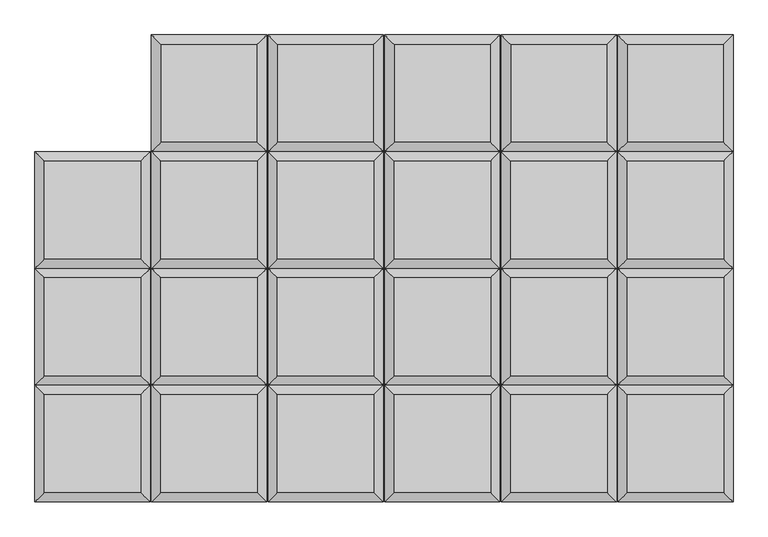
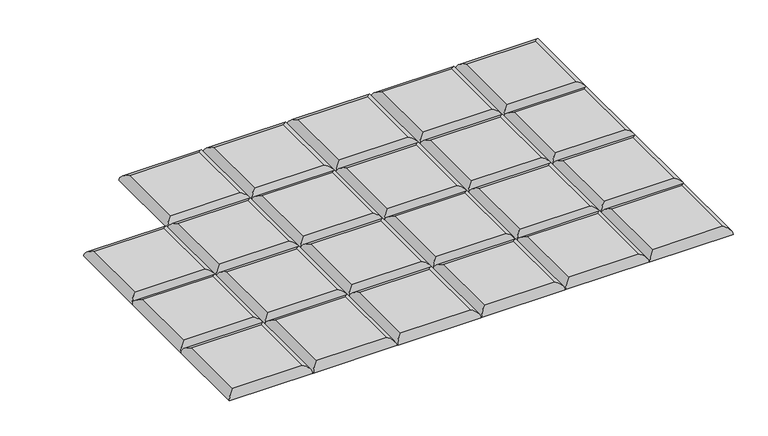
"""IFC4 building model written with IfcOpenShell, lengths in millimetres: furniture geometry."""

from ifc_helpers import new_model, si_unit, frame, origin, place, context, project, spatial, ellipse_curve, source, transform, mapped, element, save
from ifc_brep_helpers import plane_surface, cylinder_surface, advanced_brep


def furniture_052ff6f9(model_context):
    return source(origin(), model_context, "Body", "AdvancedBrep", [
        advanced_brep(
        [(1090.4608514, 204.2894878, 411.6605122), (906.6718759, 204.2894878, 411.6605122), (906.6718759, 17.9605122, 411.6605122), (1090.4608514, 17.9605122, 411.6605122), (1108.4213636, 0.0, 393.7), (888.7113636, 0.0, 393.7), (888.7113636, 222.25, 393.7), (1108.4213636, 222.25, 393.7)],
        [
            (0, 1),
            (1, 2),
            (2, 3),
            (3, 0),
            (4, 5),
            (5, 6),
            (6, 7),
            (7, 4),
            (7, 0, ellipse_curve(frame((1090.4608514, 204.2894878, 393.7), z_axis=(0.7071067811865475, -0.7071067811865475, 0.0), x_axis=(-0.7071067811865474, -0.7071067811865476, 0.0)), 25.4, 17.9605122)),
            (3, 4, ellipse_curve(frame((1090.4608514, 17.9605122, 393.7), z_axis=(0.7071067811865475, 0.7071067811865475, 0.0), x_axis=(0.7071067811865474, -0.7071067811865476, 0.0)), 25.4, 17.9605122)),
            (6, 1, ellipse_curve(frame((906.6718759, 204.2894878, 393.7), z_axis=(0.7071067811865475, 0.7071067811865475, 0.0), x_axis=(0.7071067811865476, -0.7071067811865474, 0.0)), 25.4, 17.9605122)),
            (5, 2, ellipse_curve(frame((906.6718759, 17.9605122, 393.7), z_axis=(-0.7071067811865475, 0.7071067811865475, 0.0), x_axis=(0.7071067811865474, 0.7071067811865476, 0.0)), 25.4, 17.9605122)),
        ],
        [
            plane_surface(frame((906.6718759, 17.9605122, 411.6605122), z_axis=(0.0, 0.0, 1.0), x_axis=(-1.0, 0.0, 0.0))),
            plane_surface(frame((906.6718759, 17.9605122, 393.7), z_axis=(0.0, 0.0, -1.0), x_axis=(1.0, 0.0, 0.0))),
            cylinder_surface(frame((1090.4608514, 0.0, 393.7), z_axis=(0.0, -1.0, 0.0), x_axis=(1.0, 0.0, 0.0)), 17.9605122),
            cylinder_surface(frame((1108.4213636, 204.2894878, 393.7), z_axis=(1.0, 0.0, 0.0), x_axis=(0.0, 1.0, 0.0)), 17.9605122),
            cylinder_surface(frame((906.6718759, 222.25, 393.7), z_axis=(0.0, 1.0, 0.0), x_axis=(-1.0, 0.0, 0.0)), 17.9605122),
            cylinder_surface(frame((888.7113636, 17.9605122, 393.7), z_axis=(-1.0, 0.0, 0.0), x_axis=(0.0, -1.0, 0.0)), 17.9605122),
        ],
        [
            (0, [[1, 2, 3, 4]]),
            (1, [[5, 6, 7, 8]]),
            (2, [[-8, 9, -4, 10]]),
            (3, [[-7, 11, -1, -9]]),
            (4, [[-6, 12, -2, -11]]),
            (5, [[-3, -12, -5, -10]]),
        ],
    ),
        advanced_brep(
        [(1090.4608514, -17.9605122, 411.6605122), (906.6718759, -17.9605122, 411.6605122), (906.6718759, -204.2894878, 411.6605122), (1090.4608514, -204.2894878, 411.6605122), (1108.4213636, -222.25, 393.7), (888.7113636, -222.25, 393.7), (888.7113636, 0.0, 393.7), (1108.4213636, 0.0, 393.7)],
        [
            (0, 1),
            (1, 2),
            (2, 3),
            (3, 0),
            (4, 5),
            (5, 6),
            (6, 7),
            (7, 4),
            (7, 0, ellipse_curve(frame((1090.4608514, -17.9605122, 393.7), z_axis=(0.7071067811865475, -0.7071067811865475, 0.0), x_axis=(-0.7071067811865474, -0.7071067811865476, 0.0)), 25.4, 17.9605122)),
            (3, 4, ellipse_curve(frame((1090.4608514, -204.2894878, 393.7), z_axis=(0.7071067811865475, 0.7071067811865475, 0.0), x_axis=(0.7071067811865474, -0.7071067811865476, 0.0)), 25.4, 17.9605122)),
            (6, 1, ellipse_curve(frame((906.6718759, -17.9605122, 393.7), z_axis=(0.7071067811865475, 0.7071067811865475, 0.0), x_axis=(0.7071067811865476, -0.7071067811865474, 0.0)), 25.4, 17.9605122)),
            (5, 2, ellipse_curve(frame((906.6718759, -204.2894878, 393.7), z_axis=(-0.7071067811865475, 0.7071067811865475, 0.0), x_axis=(0.7071067811865474, 0.7071067811865476, 0.0)), 25.4, 17.9605122)),
        ],
        [
            plane_surface(frame((906.6718759, -204.2894878, 411.6605122), z_axis=(0.0, 0.0, 1.0), x_axis=(-1.0, 0.0, 0.0))),
            plane_surface(frame((906.6718759, -204.2894878, 393.7), z_axis=(0.0, 0.0, -1.0), x_axis=(1.0, 0.0, 0.0))),
            cylinder_surface(frame((1090.4608514, -222.25, 393.7), z_axis=(0.0, -1.0, 0.0), x_axis=(1.0, 0.0, 0.0)), 17.9605122),
            cylinder_surface(frame((1108.4213636, -17.9605122, 393.7), z_axis=(1.0, 0.0, 0.0), x_axis=(0.0, 1.0, 0.0)), 17.9605122),
            cylinder_surface(frame((906.6718759, 0.0, 393.7), z_axis=(0.0, 1.0, 0.0), x_axis=(-1.0, 0.0, 0.0)), 17.9605122),
            cylinder_surface(frame((888.7113636, -204.2894878, 393.7), z_axis=(-1.0, 0.0, 0.0), x_axis=(0.0, -1.0, 0.0)), 17.9605122),
        ],
        [
            (0, [[1, 2, 3, 4]]),
            (1, [[5, 6, 7, 8]]),
            (2, [[-8, 9, -4, 10]]),
            (3, [[-7, 11, -1, -9]]),
            (4, [[-6, 12, -2, -11]]),
            (5, [[-3, -12, -5, -10]]),
        ],
    ),
        advanced_brep(
        [(1090.4608514, -240.2105122, 411.6605122), (906.6718759, -240.2105122, 411.6605122), (906.6718759, -426.5394878, 411.6605122), (1090.4608514, -426.5394878, 411.6605122), (1108.4213636, -444.5, 393.7), (888.7113636, -444.5, 393.7), (888.7113636, -222.25, 393.7), (1108.4213636, -222.25, 393.7)],
        [
            (0, 1),
            (1, 2),
            (2, 3),
            (3, 0),
            (4, 5),
            (5, 6),
            (6, 7),
            (7, 4),
            (7, 0, ellipse_curve(frame((1090.4608514, -240.2105122, 393.7), z_axis=(0.7071067811865475, -0.7071067811865475, 0.0), x_axis=(-0.7071067811865474, -0.7071067811865476, 0.0)), 25.4, 17.9605122)),
            (3, 4, ellipse_curve(frame((1090.4608514, -426.5394878, 393.7), z_axis=(0.7071067811865475, 0.7071067811865475, 0.0), x_axis=(0.7071067811865474, -0.7071067811865476, 0.0)), 25.4, 17.9605122)),
            (6, 1, ellipse_curve(frame((906.6718759, -240.2105122, 393.7), z_axis=(0.7071067811865475, 0.7071067811865475, 0.0), x_axis=(0.7071067811865476, -0.7071067811865474, 0.0)), 25.4, 17.9605122)),
            (5, 2, ellipse_curve(frame((906.6718759, -426.5394878, 393.7), z_axis=(-0.7071067811865475, 0.7071067811865475, 0.0), x_axis=(0.7071067811865474, 0.7071067811865476, 0.0)), 25.4, 17.9605122)),
        ],
        [
            plane_surface(frame((906.6718759, -426.5394878, 411.6605122), z_axis=(0.0, 0.0, 1.0), x_axis=(-1.0, 0.0, 0.0))),
            plane_surface(frame((906.6718759, -426.5394878, 393.7), z_axis=(0.0, 0.0, -1.0), x_axis=(1.0, 0.0, 0.0))),
            cylinder_surface(frame((1090.4608514, -444.5, 393.7), z_axis=(0.0, -1.0, 0.0), x_axis=(1.0, 0.0, 0.0)), 17.9605122),
            cylinder_surface(frame((1108.4213636, -240.2105122, 393.7), z_axis=(1.0, 0.0, 0.0), x_axis=(0.0, 1.0, 0.0)), 17.9605122),
            cylinder_surface(frame((906.6718759, -222.25, 393.7), z_axis=(0.0, 1.0, 0.0), x_axis=(-1.0, 0.0, 0.0)), 17.9605122),
            cylinder_surface(frame((888.7113636, -426.5394878, 393.7), z_axis=(-1.0, 0.0, 0.0), x_axis=(0.0, -1.0, 0.0)), 17.9605122),
        ],
        [
            (0, [[1, 2, 3, 4]]),
            (1, [[5, 6, 7, 8]]),
            (2, [[-8, 9, -4, 10]]),
            (3, [[-7, 11, -1, -9]]),
            (4, [[-6, 12, -2, -11]]),
            (5, [[-3, -12, -5, -10]]),
        ],
    ),
        advanced_brep(
        [(1108.4213636, 222.25, 393.7), (1108.4213636, 444.5, 393.7), (1090.4608514, 426.5394878, 411.6605122), (1090.4608514, 240.2105122, 411.6605122), (888.7113636, 444.5, 393.7), (906.6718759, 426.5394878, 411.6605122), (888.7113636, 222.25, 393.7), (906.6718759, 240.2105122, 411.6605122)],
        [
            (0, 1),
            (1, 2, ellipse_curve(frame((1090.4608514, 426.5394878, 393.7), z_axis=(0.7071067811865475, -0.7071067811865475, 0.0), x_axis=(-0.7071067811865474, -0.7071067811865476, 0.0)), 25.4, 17.9605122)),
            (2, 3),
            (3, 0, ellipse_curve(frame((1090.4608514, 240.2105122, 393.7), z_axis=(0.7071067811865475, 0.7071067811865475, 0.0), x_axis=(0.7071067811865474, -0.7071067811865476, 0.0)), 25.4, 17.9605122)),
            (1, 4),
            (4, 5, ellipse_curve(frame((906.6718759, 426.5394878, 393.7), z_axis=(0.7071067811865475, 0.7071067811865475, 0.0), x_axis=(0.7071067811865476, -0.7071067811865474, 0.0)), 25.4, 17.9605122)),
            (5, 2),
            (4, 6),
            (6, 7, ellipse_curve(frame((906.6718759, 240.2105122, 393.7), z_axis=(-0.7071067811865475, 0.7071067811865475, 0.0), x_axis=(0.7071067811865474, 0.7071067811865476, 0.0)), 25.4, 17.9605122)),
            (7, 5),
            (3, 7),
            (6, 0),
        ],
        [
            cylinder_surface(frame((1090.4608514, 222.25, 393.7), z_axis=(0.0, -1.0, 0.0), x_axis=(1.0, 0.0, 0.0)), 17.9605122),
            cylinder_surface(frame((1108.4213636, 426.5394878, 393.7), z_axis=(1.0, 0.0, 0.0), x_axis=(0.0, 1.0, 0.0)), 17.9605122),
            cylinder_surface(frame((906.6718759, 444.5, 393.7), z_axis=(0.0, 1.0, 0.0), x_axis=(-1.0, 0.0, 0.0)), 17.9605122),
            cylinder_surface(frame((888.7113636, 240.2105122, 393.7), z_axis=(-1.0, 0.0, 0.0), x_axis=(0.0, -1.0, 0.0)), 17.9605122),
            plane_surface(frame((888.7113636, 222.25, 393.7), z_axis=(0.0, 0.0, -1.0), x_axis=(1.0, 0.0, 0.0))),
            plane_surface(frame((906.6718759, 240.2105122, 411.6605122), z_axis=(0.0, 0.0, 1.0), x_axis=(-1.0, 0.0, 0.0))),
        ],
        [
            (0, [[1, 2, 3, 4]]),
            (1, [[5, 6, 7, -2]]),
            (2, [[8, 9, 10, -6]]),
            (3, [[11, -9, 12, -4]]),
            (4, [[-12, -8, -5, -1]]),
            (5, [[-7, -10, -11, -3]]),
        ],
    ),
        advanced_brep(
        [(868.557215, 204.2894878, 411.6605122), (684.7682395, 204.2894878, 411.6605122), (684.7682395, 17.9605122, 411.6605122), (868.557215, 17.9605122, 411.6605122), (886.5177273, 0.0, 393.7), (666.8077273, 0.0, 393.7), (666.8077273, 222.25, 393.7), (886.5177273, 222.25, 393.7)],
        [
            (0, 1),
            (1, 2),
            (2, 3),
            (3, 0),
            (4, 5),
            (5, 6),
            (6, 7),
            (7, 4),
            (7, 0, ellipse_curve(frame((868.557215, 204.2894878, 393.7), z_axis=(0.7071067811865475, -0.7071067811865475, 0.0), x_axis=(-0.7071067811865474, -0.7071067811865476, 0.0)), 25.4, 17.9605122)),
            (3, 4, ellipse_curve(frame((868.557215, 17.9605122, 393.7), z_axis=(0.7071067811865475, 0.7071067811865475, 0.0), x_axis=(0.7071067811865474, -0.7071067811865476, 0.0)), 25.4, 17.9605122)),
            (6, 1, ellipse_curve(frame((684.7682395, 204.2894878, 393.7), z_axis=(0.7071067811865475, 0.7071067811865475, 0.0), x_axis=(0.7071067811865476, -0.7071067811865474, 0.0)), 25.4, 17.9605122)),
            (5, 2, ellipse_curve(frame((684.7682395, 17.9605122, 393.7), z_axis=(-0.7071067811865475, 0.7071067811865475, 0.0), x_axis=(0.7071067811865474, 0.7071067811865476, 0.0)), 25.4, 17.9605122)),
        ],
        [
            plane_surface(frame((684.7682395, 17.9605122, 411.6605122), z_axis=(0.0, 0.0, 1.0), x_axis=(-1.0, 0.0, 0.0))),
            plane_surface(frame((684.7682395, 17.9605122, 393.7), z_axis=(0.0, 0.0, -1.0), x_axis=(1.0, 0.0, 0.0))),
            cylinder_surface(frame((868.557215, 0.0, 393.7), z_axis=(0.0, -1.0, 0.0), x_axis=(1.0, 0.0, 0.0)), 17.9605122),
            cylinder_surface(frame((886.5177273, 204.2894878, 393.7), z_axis=(1.0, 0.0, 0.0), x_axis=(0.0, 1.0, 0.0)), 17.9605122),
            cylinder_surface(frame((684.7682395, 222.25, 393.7), z_axis=(0.0, 1.0, 0.0), x_axis=(-1.0, 0.0, 0.0)), 17.9605122),
            cylinder_surface(frame((666.8077273, 17.9605122, 393.7), z_axis=(-1.0, 0.0, 0.0), x_axis=(0.0, -1.0, 0.0)), 17.9605122),
        ],
        [
            (0, [[1, 2, 3, 4]]),
            (1, [[5, 6, 7, 8]]),
            (2, [[-8, 9, -4, 10]]),
            (3, [[-7, 11, -1, -9]]),
            (4, [[-6, 12, -2, -11]]),
            (5, [[-3, -12, -5, -10]]),
        ],
    ),
        advanced_brep(
        [(868.557215, -17.9605122, 411.6605122), (684.7682395, -17.9605122, 411.6605122), (684.7682395, -204.2894878, 411.6605122), (868.557215, -204.2894878, 411.6605122), (886.5177273, -222.25, 393.7), (666.8077273, -222.25, 393.7), (666.8077273, 0.0, 393.7), (886.5177273, 0.0, 393.7)],
        [
            (0, 1),
            (1, 2),
            (2, 3),
            (3, 0),
            (4, 5),
            (5, 6),
            (6, 7),
            (7, 4),
            (7, 0, ellipse_curve(frame((868.557215, -17.9605122, 393.7), z_axis=(0.7071067811865475, -0.7071067811865475, 0.0), x_axis=(-0.7071067811865474, -0.7071067811865476, 0.0)), 25.4, 17.9605122)),
            (3, 4, ellipse_curve(frame((868.557215, -204.2894878, 393.7), z_axis=(0.7071067811865475, 0.7071067811865475, 0.0), x_axis=(0.7071067811865474, -0.7071067811865476, 0.0)), 25.4, 17.9605122)),
            (6, 1, ellipse_curve(frame((684.7682395, -17.9605122, 393.7), z_axis=(0.7071067811865475, 0.7071067811865475, 0.0), x_axis=(0.7071067811865476, -0.7071067811865474, 0.0)), 25.4, 17.9605122)),
            (5, 2, ellipse_curve(frame((684.7682395, -204.2894878, 393.7), z_axis=(-0.7071067811865475, 0.7071067811865475, 0.0), x_axis=(0.7071067811865474, 0.7071067811865476, 0.0)), 25.4, 17.9605122)),
        ],
        [
            plane_surface(frame((684.7682395, -204.2894878, 411.6605122), z_axis=(0.0, 0.0, 1.0), x_axis=(-1.0, 0.0, 0.0))),
            plane_surface(frame((684.7682395, -204.2894878, 393.7), z_axis=(0.0, 0.0, -1.0), x_axis=(1.0, 0.0, 0.0))),
            cylinder_surface(frame((868.557215, -222.25, 393.7), z_axis=(0.0, -1.0, 0.0), x_axis=(1.0, 0.0, 0.0)), 17.9605122),
            cylinder_surface(frame((886.5177273, -17.9605122, 393.7), z_axis=(1.0, 0.0, 0.0), x_axis=(0.0, 1.0, 0.0)), 17.9605122),
            cylinder_surface(frame((684.7682395, 0.0, 393.7), z_axis=(0.0, 1.0, 0.0), x_axis=(-1.0, 0.0, 0.0)), 17.9605122),
            cylinder_surface(frame((666.8077273, -204.2894878, 393.7), z_axis=(-1.0, 0.0, 0.0), x_axis=(0.0, -1.0, 0.0)), 17.9605122),
        ],
        [
            (0, [[1, 2, 3, 4]]),
            (1, [[5, 6, 7, 8]]),
            (2, [[-8, 9, -4, 10]]),
            (3, [[-7, 11, -1, -9]]),
            (4, [[-6, 12, -2, -11]]),
            (5, [[-3, -12, -5, -10]]),
        ],
    ),
        advanced_brep(
        [(868.557215, -240.2105122, 411.6605122), (684.7682395, -240.2105122, 411.6605122), (684.7682395, -426.5394878, 411.6605122), (868.557215, -426.5394878, 411.6605122), (886.5177273, -444.5, 393.7), (666.8077273, -444.5, 393.7), (666.8077273, -222.25, 393.7), (886.5177273, -222.25, 393.7)],
        [
            (0, 1),
            (1, 2),
            (2, 3),
            (3, 0),
            (4, 5),
            (5, 6),
            (6, 7),
            (7, 4),
            (7, 0, ellipse_curve(frame((868.557215, -240.2105122, 393.7), z_axis=(0.7071067811865475, -0.7071067811865475, 0.0), x_axis=(-0.7071067811865474, -0.7071067811865476, 0.0)), 25.4, 17.9605122)),
            (3, 4, ellipse_curve(frame((868.557215, -426.5394878, 393.7), z_axis=(0.7071067811865475, 0.7071067811865475, 0.0), x_axis=(0.7071067811865474, -0.7071067811865476, 0.0)), 25.4, 17.9605122)),
            (6, 1, ellipse_curve(frame((684.7682395, -240.2105122, 393.7), z_axis=(0.7071067811865475, 0.7071067811865475, 0.0), x_axis=(0.7071067811865476, -0.7071067811865474, 0.0)), 25.4, 17.9605122)),
            (5, 2, ellipse_curve(frame((684.7682395, -426.5394878, 393.7), z_axis=(-0.7071067811865475, 0.7071067811865475, 0.0), x_axis=(0.7071067811865474, 0.7071067811865476, 0.0)), 25.4, 17.9605122)),
        ],
        [
            plane_surface(frame((684.7682395, -426.5394878, 411.6605122), z_axis=(0.0, 0.0, 1.0), x_axis=(-1.0, 0.0, 0.0))),
            plane_surface(frame((684.7682395, -426.5394878, 393.7), z_axis=(0.0, 0.0, -1.0), x_axis=(1.0, 0.0, 0.0))),
            cylinder_surface(frame((868.557215, -444.5, 393.7), z_axis=(0.0, -1.0, 0.0), x_axis=(1.0, 0.0, 0.0)), 17.9605122),
            cylinder_surface(frame((886.5177273, -240.2105122, 393.7), z_axis=(1.0, 0.0, 0.0), x_axis=(0.0, 1.0, 0.0)), 17.9605122),
            cylinder_surface(frame((684.7682395, -222.25, 393.7), z_axis=(0.0, 1.0, 0.0), x_axis=(-1.0, 0.0, 0.0)), 17.9605122),
            cylinder_surface(frame((666.8077273, -426.5394878, 393.7), z_axis=(-1.0, 0.0, 0.0), x_axis=(0.0, -1.0, 0.0)), 17.9605122),
        ],
        [
            (0, [[1, 2, 3, 4]]),
            (1, [[5, 6, 7, 8]]),
            (2, [[-8, 9, -4, 10]]),
            (3, [[-7, 11, -1, -9]]),
            (4, [[-6, 12, -2, -11]]),
            (5, [[-3, -12, -5, -10]]),
        ],
    ),
        advanced_brep(
        [(886.5177273, 222.25, 393.7), (886.5177273, 444.5, 393.7), (868.557215, 426.5394878, 411.6605122), (868.557215, 240.2105122, 411.6605122), (666.8077273, 444.5, 393.7), (684.7682395, 426.5394878, 411.6605122), (666.8077273, 222.25, 393.7), (684.7682395, 240.2105122, 411.6605122)],
        [
            (0, 1),
            (1, 2, ellipse_curve(frame((868.557215, 426.5394878, 393.7), z_axis=(0.7071067811865475, -0.7071067811865475, 0.0), x_axis=(-0.7071067811865474, -0.7071067811865476, 0.0)), 25.4, 17.9605122)),
            (2, 3),
            (3, 0, ellipse_curve(frame((868.557215, 240.2105122, 393.7), z_axis=(0.7071067811865475, 0.7071067811865475, 0.0), x_axis=(0.7071067811865474, -0.7071067811865476, 0.0)), 25.4, 17.9605122)),
            (1, 4),
            (4, 5, ellipse_curve(frame((684.7682395, 426.5394878, 393.7), z_axis=(0.7071067811865475, 0.7071067811865475, 0.0), x_axis=(0.7071067811865476, -0.7071067811865474, 0.0)), 25.4, 17.9605122)),
            (5, 2),
            (4, 6),
            (6, 7, ellipse_curve(frame((684.7682395, 240.2105122, 393.7), z_axis=(-0.7071067811865475, 0.7071067811865475, 0.0), x_axis=(0.7071067811865474, 0.7071067811865476, 0.0)), 25.4, 17.9605122)),
            (7, 5),
            (3, 7),
            (6, 0),
        ],
        [
            cylinder_surface(frame((868.557215, 222.25, 393.7), z_axis=(0.0, -1.0, 0.0), x_axis=(1.0, 0.0, 0.0)), 17.9605122),
            cylinder_surface(frame((886.5177273, 426.5394878, 393.7), z_axis=(1.0, 0.0, 0.0), x_axis=(0.0, 1.0, 0.0)), 17.9605122),
            cylinder_surface(frame((684.7682395, 444.5, 393.7), z_axis=(0.0, 1.0, 0.0), x_axis=(-1.0, 0.0, 0.0)), 17.9605122),
            cylinder_surface(frame((666.8077273, 240.2105122, 393.7), z_axis=(-1.0, 0.0, 0.0), x_axis=(0.0, -1.0, 0.0)), 17.9605122),
            plane_surface(frame((666.8077273, 222.25, 393.7), z_axis=(0.0, 0.0, -1.0), x_axis=(1.0, 0.0, 0.0))),
            plane_surface(frame((684.7682395, 240.2105122, 411.6605122), z_axis=(0.0, 0.0, 1.0), x_axis=(-1.0, 0.0, 0.0))),
        ],
        [
            (0, [[1, 2, 3, 4]]),
            (1, [[5, 6, 7, -2]]),
            (2, [[8, 9, 10, -6]]),
            (3, [[11, -9, 12, -4]]),
            (4, [[-12, -8, -5, -1]]),
            (5, [[-7, -10, -11, -3]]),
        ],
    ),
        advanced_brep(
        [(646.6535787, 204.2894878, 411.6605122), (462.8646032, 204.2894878, 411.6605122), (462.8646032, 17.9605122, 411.6605122), (646.6535787, 17.9605122, 411.6605122), (664.6140909, 0.0, 393.7), (444.9040909, 0.0, 393.7), (444.9040909, 222.25, 393.7), (664.6140909, 222.25, 393.7)],
        [
            (0, 1),
            (1, 2),
            (2, 3),
            (3, 0),
            (4, 5),
            (5, 6),
            (6, 7),
            (7, 4),
            (7, 0, ellipse_curve(frame((646.6535787, 204.2894878, 393.7), z_axis=(0.7071067811865475, -0.7071067811865475, 0.0), x_axis=(-0.7071067811865474, -0.7071067811865476, 0.0)), 25.4, 17.9605122)),
            (3, 4, ellipse_curve(frame((646.6535787, 17.9605122, 393.7), z_axis=(0.7071067811865475, 0.7071067811865475, 0.0), x_axis=(0.7071067811865474, -0.7071067811865476, 0.0)), 25.4, 17.9605122)),
            (6, 1, ellipse_curve(frame((462.8646032, 204.2894878, 393.7), z_axis=(0.7071067811865475, 0.7071067811865475, 0.0), x_axis=(0.7071067811865476, -0.7071067811865474, 0.0)), 25.4, 17.9605122)),
            (5, 2, ellipse_curve(frame((462.8646032, 17.9605122, 393.7), z_axis=(-0.7071067811865475, 0.7071067811865475, 0.0), x_axis=(0.7071067811865474, 0.7071067811865476, 0.0)), 25.4, 17.9605122)),
        ],
        [
            plane_surface(frame((462.8646032, 17.9605122, 411.6605122), z_axis=(0.0, 0.0, 1.0), x_axis=(-1.0, 0.0, 0.0))),
            plane_surface(frame((462.8646032, 17.9605122, 393.7), z_axis=(0.0, 0.0, -1.0), x_axis=(1.0, 0.0, 0.0))),
            cylinder_surface(frame((646.6535787, 0.0, 393.7), z_axis=(0.0, -1.0, 0.0), x_axis=(1.0, 0.0, 0.0)), 17.9605122),
            cylinder_surface(frame((664.6140909, 204.2894878, 393.7), z_axis=(1.0, 0.0, 0.0), x_axis=(0.0, 1.0, 0.0)), 17.9605122),
            cylinder_surface(frame((462.8646032, 222.25, 393.7), z_axis=(0.0, 1.0, 0.0), x_axis=(-1.0, 0.0, 0.0)), 17.9605122),
            cylinder_surface(frame((444.9040909, 17.9605122, 393.7), z_axis=(-1.0, 0.0, 0.0), x_axis=(0.0, -1.0, 0.0)), 17.9605122),
        ],
        [
            (0, [[1, 2, 3, 4]]),
            (1, [[5, 6, 7, 8]]),
            (2, [[-8, 9, -4, 10]]),
            (3, [[-7, 11, -1, -9]]),
            (4, [[-6, 12, -2, -11]]),
            (5, [[-3, -12, -5, -10]]),
        ],
    ),
        advanced_brep(
        [(646.6535787, -17.9605122, 411.6605122), (462.8646032, -17.9605122, 411.6605122), (462.8646032, -204.2894878, 411.6605122), (646.6535787, -204.2894878, 411.6605122), (664.6140909, -222.25, 393.7), (444.9040909, -222.25, 393.7), (444.9040909, 0.0, 393.7), (664.6140909, 0.0, 393.7)],
        [
            (0, 1),
            (1, 2),
            (2, 3),
            (3, 0),
            (4, 5),
            (5, 6),
            (6, 7),
            (7, 4),
            (7, 0, ellipse_curve(frame((646.6535787, -17.9605122, 393.7), z_axis=(0.7071067811865475, -0.7071067811865475, 0.0), x_axis=(-0.7071067811865474, -0.7071067811865476, 0.0)), 25.4, 17.9605122)),
            (3, 4, ellipse_curve(frame((646.6535787, -204.2894878, 393.7), z_axis=(0.7071067811865475, 0.7071067811865475, 0.0), x_axis=(0.7071067811865474, -0.7071067811865476, 0.0)), 25.4, 17.9605122)),
            (6, 1, ellipse_curve(frame((462.8646032, -17.9605122, 393.7), z_axis=(0.7071067811865475, 0.7071067811865475, 0.0), x_axis=(0.7071067811865476, -0.7071067811865474, 0.0)), 25.4, 17.9605122)),
            (5, 2, ellipse_curve(frame((462.8646032, -204.2894878, 393.7), z_axis=(-0.7071067811865475, 0.7071067811865475, 0.0), x_axis=(0.7071067811865474, 0.7071067811865476, 0.0)), 25.4, 17.9605122)),
        ],
        [
            plane_surface(frame((462.8646032, -204.2894878, 411.6605122), z_axis=(0.0, 0.0, 1.0), x_axis=(-1.0, 0.0, 0.0))),
            plane_surface(frame((462.8646032, -204.2894878, 393.7), z_axis=(0.0, 0.0, -1.0), x_axis=(1.0, 0.0, 0.0))),
            cylinder_surface(frame((646.6535787, -222.25, 393.7), z_axis=(0.0, -1.0, 0.0), x_axis=(1.0, 0.0, 0.0)), 17.9605122),
            cylinder_surface(frame((664.6140909, -17.9605122, 393.7), z_axis=(1.0, 0.0, 0.0), x_axis=(0.0, 1.0, 0.0)), 17.9605122),
            cylinder_surface(frame((462.8646032, 0.0, 393.7), z_axis=(0.0, 1.0, 0.0), x_axis=(-1.0, 0.0, 0.0)), 17.9605122),
            cylinder_surface(frame((444.9040909, -204.2894878, 393.7), z_axis=(-1.0, 0.0, 0.0), x_axis=(0.0, -1.0, 0.0)), 17.9605122),
        ],
        [
            (0, [[1, 2, 3, 4]]),
            (1, [[5, 6, 7, 8]]),
            (2, [[-8, 9, -4, 10]]),
            (3, [[-7, 11, -1, -9]]),
            (4, [[-6, 12, -2, -11]]),
            (5, [[-3, -12, -5, -10]]),
        ],
    ),
        advanced_brep(
        [(646.6535787, -240.2105122, 411.6605122), (462.8646032, -240.2105122, 411.6605122), (462.8646032, -426.5394878, 411.6605122), (646.6535787, -426.5394878, 411.6605122), (664.6140909, -444.5, 393.7), (444.9040909, -444.5, 393.7), (444.9040909, -222.25, 393.7), (664.6140909, -222.25, 393.7)],
        [
            (0, 1),
            (1, 2),
            (2, 3),
            (3, 0),
            (4, 5),
            (5, 6),
            (6, 7),
            (7, 4),
            (7, 0, ellipse_curve(frame((646.6535787, -240.2105122, 393.7), z_axis=(0.7071067811865475, -0.7071067811865475, 0.0), x_axis=(-0.7071067811865474, -0.7071067811865476, 0.0)), 25.4, 17.9605122)),
            (3, 4, ellipse_curve(frame((646.6535787, -426.5394878, 393.7), z_axis=(0.7071067811865475, 0.7071067811865475, 0.0), x_axis=(0.7071067811865474, -0.7071067811865476, 0.0)), 25.4, 17.9605122)),
            (6, 1, ellipse_curve(frame((462.8646032, -240.2105122, 393.7), z_axis=(0.7071067811865475, 0.7071067811865475, 0.0), x_axis=(0.7071067811865476, -0.7071067811865474, 0.0)), 25.4, 17.9605122)),
            (5, 2, ellipse_curve(frame((462.8646032, -426.5394878, 393.7), z_axis=(-0.7071067811865475, 0.7071067811865475, 0.0), x_axis=(0.7071067811865474, 0.7071067811865476, 0.0)), 25.4, 17.9605122)),
        ],
        [
            plane_surface(frame((462.8646032, -426.5394878, 411.6605122), z_axis=(0.0, 0.0, 1.0), x_axis=(-1.0, 0.0, 0.0))),
            plane_surface(frame((462.8646032, -426.5394878, 393.7), z_axis=(0.0, 0.0, -1.0), x_axis=(1.0, 0.0, 0.0))),
            cylinder_surface(frame((646.6535787, -444.5, 393.7), z_axis=(0.0, -1.0, 0.0), x_axis=(1.0, 0.0, 0.0)), 17.9605122),
            cylinder_surface(frame((664.6140909, -240.2105122, 393.7), z_axis=(1.0, 0.0, 0.0), x_axis=(0.0, 1.0, 0.0)), 17.9605122),
            cylinder_surface(frame((462.8646032, -222.25, 393.7), z_axis=(0.0, 1.0, 0.0), x_axis=(-1.0, 0.0, 0.0)), 17.9605122),
            cylinder_surface(frame((444.9040909, -426.5394878, 393.7), z_axis=(-1.0, 0.0, 0.0), x_axis=(0.0, -1.0, 0.0)), 17.9605122),
        ],
        [
            (0, [[1, 2, 3, 4]]),
            (1, [[5, 6, 7, 8]]),
            (2, [[-8, 9, -4, 10]]),
            (3, [[-7, 11, -1, -9]]),
            (4, [[-6, 12, -2, -11]]),
            (5, [[-3, -12, -5, -10]]),
        ],
    ),
        advanced_brep(
        [(664.6140909, 222.25, 393.7), (664.6140909, 444.5, 393.7), (646.6535787, 426.5394878, 411.6605122), (646.6535787, 240.2105122, 411.6605122), (444.9040909, 444.5, 393.7), (462.8646032, 426.5394878, 411.6605122), (444.9040909, 222.25, 393.7), (462.8646032, 240.2105122, 411.6605122)],
        [
            (0, 1),
            (1, 2, ellipse_curve(frame((646.6535787, 426.5394878, 393.7), z_axis=(0.7071067811865475, -0.7071067811865475, 0.0), x_axis=(-0.7071067811865474, -0.7071067811865476, 0.0)), 25.4, 17.9605122)),
            (2, 3),
            (3, 0, ellipse_curve(frame((646.6535787, 240.2105122, 393.7), z_axis=(0.7071067811865475, 0.7071067811865475, 0.0), x_axis=(0.7071067811865474, -0.7071067811865476, 0.0)), 25.4, 17.9605122)),
            (1, 4),
            (4, 5, ellipse_curve(frame((462.8646032, 426.5394878, 393.7), z_axis=(0.7071067811865475, 0.7071067811865475, 0.0), x_axis=(0.7071067811865476, -0.7071067811865474, 0.0)), 25.4, 17.9605122)),
            (5, 2),
            (4, 6),
            (6, 7, ellipse_curve(frame((462.8646032, 240.2105122, 393.7), z_axis=(-0.7071067811865475, 0.7071067811865475, 0.0), x_axis=(0.7071067811865474, 0.7071067811865476, 0.0)), 25.4, 17.9605122)),
            (7, 5),
            (3, 7),
            (6, 0),
        ],
        [
            cylinder_surface(frame((646.6535787, 222.25, 393.7), z_axis=(0.0, -1.0, 0.0), x_axis=(1.0, 0.0, 0.0)), 17.9605122),
            cylinder_surface(frame((664.6140909, 426.5394878, 393.7), z_axis=(1.0, 0.0, 0.0), x_axis=(0.0, 1.0, 0.0)), 17.9605122),
            cylinder_surface(frame((462.8646032, 444.5, 393.7), z_axis=(0.0, 1.0, 0.0), x_axis=(-1.0, 0.0, 0.0)), 17.9605122),
            cylinder_surface(frame((444.9040909, 240.2105122, 393.7), z_axis=(-1.0, 0.0, 0.0), x_axis=(0.0, -1.0, 0.0)), 17.9605122),
            plane_surface(frame((444.9040909, 222.25, 393.7), z_axis=(0.0, 0.0, -1.0), x_axis=(1.0, 0.0, 0.0))),
            plane_surface(frame((462.8646032, 240.2105122, 411.6605122), z_axis=(0.0, 0.0, 1.0), x_axis=(-1.0, 0.0, 0.0))),
        ],
        [
            (0, [[1, 2, 3, 4]]),
            (1, [[5, 6, 7, -2]]),
            (2, [[8, 9, 10, -6]]),
            (3, [[11, -9, 12, -4]]),
            (4, [[-12, -8, -5, -1]]),
            (5, [[-7, -10, -11, -3]]),
        ],
    ),
        advanced_brep(
        [(424.7499423, 204.2894878, 411.6605122), (240.9609668, 204.2894878, 411.6605122), (240.9609668, 17.9605122, 411.6605122), (424.7499423, 17.9605122, 411.6605122), (442.7104545, 0.0, 393.7), (223.0004545, 0.0, 393.7), (223.0004545, 222.25, 393.7), (442.7104545, 222.25, 393.7)],
        [
            (0, 1),
            (1, 2),
            (2, 3),
            (3, 0),
            (4, 5),
            (5, 6),
            (6, 7),
            (7, 4),
            (7, 0, ellipse_curve(frame((424.7499423, 204.2894878, 393.7), z_axis=(0.7071067811865475, -0.7071067811865475, 0.0), x_axis=(-0.7071067811865474, -0.7071067811865476, 0.0)), 25.4, 17.9605122)),
            (3, 4, ellipse_curve(frame((424.7499423, 17.9605122, 393.7), z_axis=(0.7071067811865475, 0.7071067811865475, 0.0), x_axis=(0.7071067811865474, -0.7071067811865476, 0.0)), 25.4, 17.9605122)),
            (6, 1, ellipse_curve(frame((240.9609668, 204.2894878, 393.7), z_axis=(0.7071067811865475, 0.7071067811865475, 0.0), x_axis=(0.7071067811865476, -0.7071067811865474, 0.0)), 25.4, 17.9605122)),
            (5, 2, ellipse_curve(frame((240.9609668, 17.9605122, 393.7), z_axis=(-0.7071067811865475, 0.7071067811865475, 0.0), x_axis=(0.7071067811865474, 0.7071067811865476, 0.0)), 25.4, 17.9605122)),
        ],
        [
            plane_surface(frame((240.9609668, 17.9605122, 411.6605122), z_axis=(0.0, 0.0, 1.0), x_axis=(-1.0, 0.0, 0.0))),
            plane_surface(frame((240.9609668, 17.9605122, 393.7), z_axis=(0.0, 0.0, -1.0), x_axis=(1.0, 0.0, 0.0))),
            cylinder_surface(frame((424.7499423, 0.0, 393.7), z_axis=(0.0, -1.0, 0.0), x_axis=(1.0, 0.0, 0.0)), 17.9605122),
            cylinder_surface(frame((442.7104545, 204.2894878, 393.7), z_axis=(1.0, 0.0, 0.0), x_axis=(0.0, 1.0, 0.0)), 17.9605122),
            cylinder_surface(frame((240.9609668, 222.25, 393.7), z_axis=(0.0, 1.0, 0.0), x_axis=(-1.0, 0.0, 0.0)), 17.9605122),
            cylinder_surface(frame((223.0004545, 17.9605122, 393.7), z_axis=(-1.0, 0.0, 0.0), x_axis=(0.0, -1.0, 0.0)), 17.9605122),
        ],
        [
            (0, [[1, 2, 3, 4]]),
            (1, [[5, 6, 7, 8]]),
            (2, [[-8, 9, -4, 10]]),
            (3, [[-7, 11, -1, -9]]),
            (4, [[-6, 12, -2, -11]]),
            (5, [[-3, -12, -5, -10]]),
        ],
    ),
        advanced_brep(
        [(424.7499423, -17.9605122, 411.6605122), (240.9609668, -17.9605122, 411.6605122), (240.9609668, -204.2894878, 411.6605122), (424.7499423, -204.2894878, 411.6605122), (442.7104545, -222.25, 393.7), (223.0004545, -222.25, 393.7), (223.0004545, 0.0, 393.7), (442.7104545, 0.0, 393.7)],
        [
            (0, 1),
            (1, 2),
            (2, 3),
            (3, 0),
            (4, 5),
            (5, 6),
            (6, 7),
            (7, 4),
            (7, 0, ellipse_curve(frame((424.7499423, -17.9605122, 393.7), z_axis=(0.7071067811865475, -0.7071067811865475, 0.0), x_axis=(-0.7071067811865474, -0.7071067811865476, 0.0)), 25.4, 17.9605122)),
            (3, 4, ellipse_curve(frame((424.7499423, -204.2894878, 393.7), z_axis=(0.7071067811865475, 0.7071067811865475, 0.0), x_axis=(0.7071067811865474, -0.7071067811865476, 0.0)), 25.4, 17.9605122)),
            (6, 1, ellipse_curve(frame((240.9609668, -17.9605122, 393.7), z_axis=(0.7071067811865475, 0.7071067811865475, 0.0), x_axis=(0.7071067811865476, -0.7071067811865474, 0.0)), 25.4, 17.9605122)),
            (5, 2, ellipse_curve(frame((240.9609668, -204.2894878, 393.7), z_axis=(-0.7071067811865475, 0.7071067811865475, 0.0), x_axis=(0.7071067811865474, 0.7071067811865476, 0.0)), 25.4, 17.9605122)),
        ],
        [
            plane_surface(frame((240.9609668, -204.2894878, 411.6605122), z_axis=(0.0, 0.0, 1.0), x_axis=(-1.0, 0.0, 0.0))),
            plane_surface(frame((240.9609668, -204.2894878, 393.7), z_axis=(0.0, 0.0, -1.0), x_axis=(1.0, 0.0, 0.0))),
            cylinder_surface(frame((424.7499423, -222.25, 393.7), z_axis=(0.0, -1.0, 0.0), x_axis=(1.0, 0.0, 0.0)), 17.9605122),
            cylinder_surface(frame((442.7104545, -17.9605122, 393.7), z_axis=(1.0, 0.0, 0.0), x_axis=(0.0, 1.0, 0.0)), 17.9605122),
            cylinder_surface(frame((240.9609668, 0.0, 393.7), z_axis=(0.0, 1.0, 0.0), x_axis=(-1.0, 0.0, 0.0)), 17.9605122),
            cylinder_surface(frame((223.0004545, -204.2894878, 393.7), z_axis=(-1.0, 0.0, 0.0), x_axis=(0.0, -1.0, 0.0)), 17.9605122),
        ],
        [
            (0, [[1, 2, 3, 4]]),
            (1, [[5, 6, 7, 8]]),
            (2, [[-8, 9, -4, 10]]),
            (3, [[-7, 11, -1, -9]]),
            (4, [[-6, 12, -2, -11]]),
            (5, [[-3, -12, -5, -10]]),
        ],
    ),
        advanced_brep(
        [(424.7499423, -240.2105122, 411.6605122), (240.9609668, -240.2105122, 411.6605122), (240.9609668, -426.5394878, 411.6605122), (424.7499423, -426.5394878, 411.6605122), (442.7104545, -444.5, 393.7), (223.0004545, -444.5, 393.7), (223.0004545, -222.25, 393.7), (442.7104545, -222.25, 393.7)],
        [
            (0, 1),
            (1, 2),
            (2, 3),
            (3, 0),
            (4, 5),
            (5, 6),
            (6, 7),
            (7, 4),
            (7, 0, ellipse_curve(frame((424.7499423, -240.2105122, 393.7), z_axis=(0.7071067811865475, -0.7071067811865475, 0.0), x_axis=(-0.7071067811865474, -0.7071067811865476, 0.0)), 25.4, 17.9605122)),
            (3, 4, ellipse_curve(frame((424.7499423, -426.5394878, 393.7), z_axis=(0.7071067811865475, 0.7071067811865475, 0.0), x_axis=(0.7071067811865474, -0.7071067811865476, 0.0)), 25.4, 17.9605122)),
            (6, 1, ellipse_curve(frame((240.9609668, -240.2105122, 393.7), z_axis=(0.7071067811865475, 0.7071067811865475, 0.0), x_axis=(0.7071067811865476, -0.7071067811865474, 0.0)), 25.4, 17.9605122)),
            (5, 2, ellipse_curve(frame((240.9609668, -426.5394878, 393.7), z_axis=(-0.7071067811865475, 0.7071067811865475, 0.0), x_axis=(0.7071067811865474, 0.7071067811865476, 0.0)), 25.4, 17.9605122)),
        ],
        [
            plane_surface(frame((240.9609668, -426.5394878, 411.6605122), z_axis=(0.0, 0.0, 1.0), x_axis=(-1.0, 0.0, 0.0))),
            plane_surface(frame((240.9609668, -426.5394878, 393.7), z_axis=(0.0, 0.0, -1.0), x_axis=(1.0, 0.0, 0.0))),
            cylinder_surface(frame((424.7499423, -444.5, 393.7), z_axis=(0.0, -1.0, 0.0), x_axis=(1.0, 0.0, 0.0)), 17.9605122),
            cylinder_surface(frame((442.7104545, -240.2105122, 393.7), z_axis=(1.0, 0.0, 0.0), x_axis=(0.0, 1.0, 0.0)), 17.9605122),
            cylinder_surface(frame((240.9609668, -222.25, 393.7), z_axis=(0.0, 1.0, 0.0), x_axis=(-1.0, 0.0, 0.0)), 17.9605122),
            cylinder_surface(frame((223.0004545, -426.5394878, 393.7), z_axis=(-1.0, 0.0, 0.0), x_axis=(0.0, -1.0, 0.0)), 17.9605122),
        ],
        [
            (0, [[1, 2, 3, 4]]),
            (1, [[5, 6, 7, 8]]),
            (2, [[-8, 9, -4, 10]]),
            (3, [[-7, 11, -1, -9]]),
            (4, [[-6, 12, -2, -11]]),
            (5, [[-3, -12, -5, -10]]),
        ],
    ),
        advanced_brep(
        [(442.7104545, 222.25, 393.7), (442.7104545, 444.5, 393.7), (424.7499423, 426.5394878, 411.6605122), (424.7499423, 240.2105122, 411.6605122), (223.0004545, 444.5, 393.7), (240.9609668, 426.5394878, 411.6605122), (223.0004545, 222.25, 393.7), (240.9609668, 240.2105122, 411.6605122)],
        [
            (0, 1),
            (1, 2, ellipse_curve(frame((424.7499423, 426.5394878, 393.7), z_axis=(0.7071067811865475, -0.7071067811865475, 0.0), x_axis=(-0.7071067811865474, -0.7071067811865476, 0.0)), 25.4, 17.9605122)),
            (2, 3),
            (3, 0, ellipse_curve(frame((424.7499423, 240.2105122, 393.7), z_axis=(0.7071067811865475, 0.7071067811865475, 0.0), x_axis=(0.7071067811865474, -0.7071067811865476, 0.0)), 25.4, 17.9605122)),
            (1, 4),
            (4, 5, ellipse_curve(frame((240.9609668, 426.5394878, 393.7), z_axis=(0.7071067811865475, 0.7071067811865475, 0.0), x_axis=(0.7071067811865476, -0.7071067811865474, 0.0)), 25.4, 17.9605122)),
            (5, 2),
            (4, 6),
            (6, 7, ellipse_curve(frame((240.9609668, 240.2105122, 393.7), z_axis=(-0.7071067811865475, 0.7071067811865475, 0.0), x_axis=(0.7071067811865474, 0.7071067811865476, 0.0)), 25.4, 17.9605122)),
            (7, 5),
            (3, 7),
            (6, 0),
        ],
        [
            cylinder_surface(frame((424.7499423, 222.25, 393.7), z_axis=(0.0, -1.0, 0.0), x_axis=(1.0, 0.0, 0.0)), 17.9605122),
            cylinder_surface(frame((442.7104545, 426.5394878, 393.7), z_axis=(1.0, 0.0, 0.0), x_axis=(0.0, 1.0, 0.0)), 17.9605122),
            cylinder_surface(frame((240.9609668, 444.5, 393.7), z_axis=(0.0, 1.0, 0.0), x_axis=(-1.0, 0.0, 0.0)), 17.9605122),
            cylinder_surface(frame((223.0004545, 240.2105122, 393.7), z_axis=(-1.0, 0.0, 0.0), x_axis=(0.0, -1.0, 0.0)), 17.9605122),
            plane_surface(frame((223.0004545, 222.25, 393.7), z_axis=(0.0, 0.0, -1.0), x_axis=(1.0, 0.0, 0.0))),
            plane_surface(frame((240.9609668, 240.2105122, 411.6605122), z_axis=(0.0, 0.0, 1.0), x_axis=(-1.0, 0.0, 0.0))),
        ],
        [
            (0, [[1, 2, 3, 4]]),
            (1, [[5, 6, 7, -2]]),
            (2, [[8, 9, 10, -6]]),
            (3, [[11, -9, 12, -4]]),
            (4, [[-12, -8, -5, -1]]),
            (5, [[-7, -10, -11, -3]]),
        ],
    ),
        advanced_brep(
        [(202.8463059, 204.2894878, 411.6605122), (19.0573304, 204.2894878, 411.6605122), (19.0573304, 17.9605122, 411.6605122), (202.8463059, 17.9605122, 411.6605122), (220.8068182, 0.0, 393.7), (1.0968182, 0.0, 393.7), (1.0968182, 222.25, 393.7), (220.8068182, 222.25, 393.7)],
        [
            (0, 1),
            (1, 2),
            (2, 3),
            (3, 0),
            (4, 5),
            (5, 6),
            (6, 7),
            (7, 4),
            (7, 0, ellipse_curve(frame((202.8463059, 204.2894878, 393.7), z_axis=(0.7071067811865475, -0.7071067811865475, 0.0), x_axis=(-0.7071067811865474, -0.7071067811865476, 0.0)), 25.4, 17.9605122)),
            (3, 4, ellipse_curve(frame((202.8463059, 17.9605122, 393.7), z_axis=(0.7071067811865475, 0.7071067811865475, 0.0), x_axis=(0.7071067811865474, -0.7071067811865476, 0.0)), 25.4, 17.9605122)),
            (6, 1, ellipse_curve(frame((19.0573304, 204.2894878, 393.7), z_axis=(0.7071067811865475, 0.7071067811865475, 0.0), x_axis=(0.7071067811865476, -0.7071067811865474, 0.0)), 25.4, 17.9605122)),
            (5, 2, ellipse_curve(frame((19.0573304, 17.9605122, 393.7), z_axis=(-0.7071067811865475, 0.7071067811865475, 0.0), x_axis=(0.7071067811865474, 0.7071067811865476, 0.0)), 25.4, 17.9605122)),
        ],
        [
            plane_surface(frame((19.0573304, 17.9605122, 411.6605122), z_axis=(0.0, 0.0, 1.0), x_axis=(-1.0, 0.0, 0.0))),
            plane_surface(frame((19.0573304, 17.9605122, 393.7), z_axis=(0.0, 0.0, -1.0), x_axis=(1.0, 0.0, 0.0))),
            cylinder_surface(frame((202.8463059, 0.0, 393.7), z_axis=(0.0, -1.0, 0.0), x_axis=(1.0, 0.0, 0.0)), 17.9605122),
            cylinder_surface(frame((220.8068182, 204.2894878, 393.7), z_axis=(1.0, 0.0, 0.0), x_axis=(0.0, 1.0, 0.0)), 17.9605122),
            cylinder_surface(frame((19.0573304, 222.25, 393.7), z_axis=(0.0, 1.0, 0.0), x_axis=(-1.0, 0.0, 0.0)), 17.9605122),
            cylinder_surface(frame((1.0968182, 17.9605122, 393.7), z_axis=(-1.0, 0.0, 0.0), x_axis=(0.0, -1.0, 0.0)), 17.9605122),
        ],
        [
            (0, [[1, 2, 3, 4]]),
            (1, [[5, 6, 7, 8]]),
            (2, [[-8, 9, -4, 10]]),
            (3, [[-7, 11, -1, -9]]),
            (4, [[-6, 12, -2, -11]]),
            (5, [[-3, -12, -5, -10]]),
        ],
    ),
        advanced_brep(
        [(202.8463059, -17.9605122, 411.6605122), (19.0573304, -17.9605122, 411.6605122), (19.0573304, -204.2894878, 411.6605122), (202.8463059, -204.2894878, 411.6605122), (220.8068182, -222.25, 393.7), (1.0968182, -222.25, 393.7), (1.0968182, 0.0, 393.7), (220.8068182, 0.0, 393.7)],
        [
            (0, 1),
            (1, 2),
            (2, 3),
            (3, 0),
            (4, 5),
            (5, 6),
            (6, 7),
            (7, 4),
            (7, 0, ellipse_curve(frame((202.8463059, -17.9605122, 393.7), z_axis=(0.7071067811865475, -0.7071067811865475, 0.0), x_axis=(-0.7071067811865474, -0.7071067811865476, 0.0)), 25.4, 17.9605122)),
            (3, 4, ellipse_curve(frame((202.8463059, -204.2894878, 393.7), z_axis=(0.7071067811865475, 0.7071067811865475, 0.0), x_axis=(0.7071067811865474, -0.7071067811865476, 0.0)), 25.4, 17.9605122)),
            (6, 1, ellipse_curve(frame((19.0573304, -17.9605122, 393.7), z_axis=(0.7071067811865475, 0.7071067811865475, 0.0), x_axis=(0.7071067811865476, -0.7071067811865474, 0.0)), 25.4, 17.9605122)),
            (5, 2, ellipse_curve(frame((19.0573304, -204.2894878, 393.7), z_axis=(-0.7071067811865475, 0.7071067811865475, 0.0), x_axis=(0.7071067811865474, 0.7071067811865476, 0.0)), 25.4, 17.9605122)),
        ],
        [
            plane_surface(frame((19.0573304, -204.2894878, 411.6605122), z_axis=(0.0, 0.0, 1.0), x_axis=(-1.0, 0.0, 0.0))),
            plane_surface(frame((19.0573304, -204.2894878, 393.7), z_axis=(0.0, 0.0, -1.0), x_axis=(1.0, 0.0, 0.0))),
            cylinder_surface(frame((202.8463059, -222.25, 393.7), z_axis=(0.0, -1.0, 0.0), x_axis=(1.0, 0.0, 0.0)), 17.9605122),
            cylinder_surface(frame((220.8068182, -17.9605122, 393.7), z_axis=(1.0, 0.0, 0.0), x_axis=(0.0, 1.0, 0.0)), 17.9605122),
            cylinder_surface(frame((19.0573304, 0.0, 393.7), z_axis=(0.0, 1.0, 0.0), x_axis=(-1.0, 0.0, 0.0)), 17.9605122),
            cylinder_surface(frame((1.0968182, -204.2894878, 393.7), z_axis=(-1.0, 0.0, 0.0), x_axis=(0.0, -1.0, 0.0)), 17.9605122),
        ],
        [
            (0, [[1, 2, 3, 4]]),
            (1, [[5, 6, 7, 8]]),
            (2, [[-8, 9, -4, 10]]),
            (3, [[-7, 11, -1, -9]]),
            (4, [[-6, 12, -2, -11]]),
            (5, [[-3, -12, -5, -10]]),
        ],
    ),
        advanced_brep(
        [(202.8463059, -240.2105122, 411.6605122), (19.0573304, -240.2105122, 411.6605122), (19.0573304, -426.5394878, 411.6605122), (202.8463059, -426.5394878, 411.6605122), (220.8068182, -444.5, 393.7), (1.0968182, -444.5, 393.7), (1.0968182, -222.25, 393.7), (220.8068182, -222.25, 393.7)],
        [
            (0, 1),
            (1, 2),
            (2, 3),
            (3, 0),
            (4, 5),
            (5, 6),
            (6, 7),
            (7, 4),
            (7, 0, ellipse_curve(frame((202.8463059, -240.2105122, 393.7), z_axis=(0.7071067811865475, -0.7071067811865475, 0.0), x_axis=(-0.7071067811865474, -0.7071067811865476, 0.0)), 25.4, 17.9605122)),
            (3, 4, ellipse_curve(frame((202.8463059, -426.5394878, 393.7), z_axis=(0.7071067811865475, 0.7071067811865475, 0.0), x_axis=(0.7071067811865474, -0.7071067811865476, 0.0)), 25.4, 17.9605122)),
            (6, 1, ellipse_curve(frame((19.0573304, -240.2105122, 393.7), z_axis=(0.7071067811865475, 0.7071067811865475, 0.0), x_axis=(0.7071067811865476, -0.7071067811865474, 0.0)), 25.4, 17.9605122)),
            (5, 2, ellipse_curve(frame((19.0573304, -426.5394878, 393.7), z_axis=(-0.7071067811865475, 0.7071067811865475, 0.0), x_axis=(0.7071067811865474, 0.7071067811865476, 0.0)), 25.4, 17.9605122)),
        ],
        [
            plane_surface(frame((19.0573304, -426.5394878, 411.6605122), z_axis=(0.0, 0.0, 1.0), x_axis=(-1.0, 0.0, 0.0))),
            plane_surface(frame((19.0573304, -426.5394878, 393.7), z_axis=(0.0, 0.0, -1.0), x_axis=(1.0, 0.0, 0.0))),
            cylinder_surface(frame((202.8463059, -444.5, 393.7), z_axis=(0.0, -1.0, 0.0), x_axis=(1.0, 0.0, 0.0)), 17.9605122),
            cylinder_surface(frame((220.8068182, -240.2105122, 393.7), z_axis=(1.0, 0.0, 0.0), x_axis=(0.0, 1.0, 0.0)), 17.9605122),
            cylinder_surface(frame((19.0573304, -222.25, 393.7), z_axis=(0.0, 1.0, 0.0), x_axis=(-1.0, 0.0, 0.0)), 17.9605122),
            cylinder_surface(frame((1.0968182, -426.5394878, 393.7), z_axis=(-1.0, 0.0, 0.0), x_axis=(0.0, -1.0, 0.0)), 17.9605122),
        ],
        [
            (0, [[1, 2, 3, 4]]),
            (1, [[5, 6, 7, 8]]),
            (2, [[-8, 9, -4, 10]]),
            (3, [[-7, 11, -1, -9]]),
            (4, [[-6, 12, -2, -11]]),
            (5, [[-3, -12, -5, -10]]),
        ],
    ),
        advanced_brep(
        [(220.8068182, 222.25, 393.7), (220.8068182, 444.5, 393.7), (202.8463059, 426.5394878, 411.6605122), (202.8463059, 240.2105122, 411.6605122), (1.0968182, 444.5, 393.7), (19.0573304, 426.5394878, 411.6605122), (1.0968182, 222.25, 393.7), (19.0573304, 240.2105122, 411.6605122)],
        [
            (0, 1),
            (1, 2, ellipse_curve(frame((202.8463059, 426.5394878, 393.7), z_axis=(0.7071067811865475, -0.7071067811865475, 0.0), x_axis=(-0.7071067811865474, -0.7071067811865476, 0.0)), 25.4, 17.9605122)),
            (2, 3),
            (3, 0, ellipse_curve(frame((202.8463059, 240.2105122, 393.7), z_axis=(0.7071067811865475, 0.7071067811865475, 0.0), x_axis=(0.7071067811865474, -0.7071067811865476, 0.0)), 25.4, 17.9605122)),
            (1, 4),
            (4, 5, ellipse_curve(frame((19.0573304, 426.5394878, 393.7), z_axis=(0.7071067811865475, 0.7071067811865475, 0.0), x_axis=(0.7071067811865476, -0.7071067811865474, 0.0)), 25.4, 17.9605122)),
            (5, 2),
            (4, 6),
            (6, 7, ellipse_curve(frame((19.0573304, 240.2105122, 393.7), z_axis=(-0.7071067811865475, 0.7071067811865475, 0.0), x_axis=(0.7071067811865474, 0.7071067811865476, 0.0)), 25.4, 17.9605122)),
            (7, 5),
            (3, 7),
            (6, 0),
        ],
        [
            cylinder_surface(frame((202.8463059, 222.25, 393.7), z_axis=(0.0, -1.0, 0.0), x_axis=(1.0, 0.0, 0.0)), 17.9605122),
            cylinder_surface(frame((220.8068182, 426.5394878, 393.7), z_axis=(1.0, 0.0, 0.0), x_axis=(0.0, 1.0, 0.0)), 17.9605122),
            cylinder_surface(frame((19.0573304, 444.5, 393.7), z_axis=(0.0, 1.0, 0.0), x_axis=(-1.0, 0.0, 0.0)), 17.9605122),
            cylinder_surface(frame((1.0968182, 240.2105122, 393.7), z_axis=(-1.0, 0.0, 0.0), x_axis=(0.0, -1.0, 0.0)), 17.9605122),
            plane_surface(frame((1.0968182, 222.25, 393.7), z_axis=(0.0, 0.0, -1.0), x_axis=(1.0, 0.0, 0.0))),
            plane_surface(frame((19.0573304, 240.2105122, 411.6605122), z_axis=(0.0, 0.0, 1.0), x_axis=(-1.0, 0.0, 0.0))),
        ],
        [
            (0, [[1, 2, 3, 4]]),
            (1, [[5, 6, 7, -2]]),
            (2, [[8, 9, 10, -6]]),
            (3, [[11, -9, 12, -4]]),
            (4, [[-12, -8, -5, -1]]),
            (5, [[-7, -10, -11, -3]]),
        ],
    ),
        advanced_brep(
        [(-19.0573304, 204.2894878, 411.6605122), (-202.8463059, 204.2894878, 411.6605122), (-202.8463059, 17.9605122, 411.6605122), (-19.0573304, 17.9605122, 411.6605122), (-1.0968182, 0.0, 393.7), (-220.8068182, 0.0, 393.7), (-220.8068182, 222.25, 393.7), (-1.0968182, 222.25, 393.7)],
        [
            (0, 1),
            (1, 2),
            (2, 3),
            (3, 0),
            (4, 5),
            (5, 6),
            (6, 7),
            (7, 4),
            (7, 0, ellipse_curve(frame((-19.0573304, 204.2894878, 393.7), z_axis=(0.7071067811865475, -0.7071067811865475, 0.0), x_axis=(-0.7071067811865474, -0.7071067811865476, 0.0)), 25.4, 17.9605122)),
            (3, 4, ellipse_curve(frame((-19.0573304, 17.9605122, 393.7), z_axis=(0.7071067811865475, 0.7071067811865475, 0.0), x_axis=(0.7071067811865474, -0.7071067811865476, 0.0)), 25.4, 17.9605122)),
            (6, 1, ellipse_curve(frame((-202.8463059, 204.2894878, 393.7), z_axis=(0.7071067811865475, 0.7071067811865475, 0.0), x_axis=(0.7071067811865476, -0.7071067811865474, 0.0)), 25.4, 17.9605122)),
            (5, 2, ellipse_curve(frame((-202.8463059, 17.9605122, 393.7), z_axis=(-0.7071067811865475, 0.7071067811865475, 0.0), x_axis=(0.7071067811865474, 0.7071067811865476, 0.0)), 25.4, 17.9605122)),
        ],
        [
            plane_surface(frame((-202.8463059, 17.9605122, 411.6605122), z_axis=(0.0, 0.0, 1.0), x_axis=(-1.0, 0.0, 0.0))),
            plane_surface(frame((-202.8463059, 17.9605122, 393.7), z_axis=(0.0, 0.0, -1.0), x_axis=(1.0, 0.0, 0.0))),
            cylinder_surface(frame((-19.0573304, 0.0, 393.7), z_axis=(0.0, -1.0, 0.0), x_axis=(1.0, 0.0, 0.0)), 17.9605122),
            cylinder_surface(frame((-1.0968182, 204.2894878, 393.7), z_axis=(1.0, 0.0, 0.0), x_axis=(0.0, 1.0, 0.0)), 17.9605122),
            cylinder_surface(frame((-202.8463059, 222.25, 393.7), z_axis=(0.0, 1.0, 0.0), x_axis=(-1.0, 0.0, 0.0)), 17.9605122),
            cylinder_surface(frame((-220.8068182, 17.9605122, 393.7), z_axis=(-1.0, 0.0, 0.0), x_axis=(0.0, -1.0, 0.0)), 17.9605122),
        ],
        [
            (0, [[1, 2, 3, 4]]),
            (1, [[5, 6, 7, 8]]),
            (2, [[-8, 9, -4, 10]]),
            (3, [[-7, 11, -1, -9]]),
            (4, [[-6, 12, -2, -11]]),
            (5, [[-3, -12, -5, -10]]),
        ],
    ),
        advanced_brep(
        [(-19.0573304, -17.9605122, 411.6605122), (-202.8463059, -17.9605122, 411.6605122), (-202.8463059, -204.2894878, 411.6605122), (-19.0573304, -204.2894878, 411.6605122), (-1.0968182, -222.25, 393.7), (-220.8068182, -222.25, 393.7), (-220.8068182, 0.0, 393.7), (-1.0968182, 0.0, 393.7)],
        [
            (0, 1),
            (1, 2),
            (2, 3),
            (3, 0),
            (4, 5),
            (5, 6),
            (6, 7),
            (7, 4),
            (7, 0, ellipse_curve(frame((-19.0573304, -17.9605122, 393.7), z_axis=(0.7071067811865475, -0.7071067811865475, 0.0), x_axis=(-0.7071067811865474, -0.7071067811865476, 0.0)), 25.4, 17.9605122)),
            (3, 4, ellipse_curve(frame((-19.0573304, -204.2894878, 393.7), z_axis=(0.7071067811865475, 0.7071067811865475, 0.0), x_axis=(0.7071067811865474, -0.7071067811865476, 0.0)), 25.4, 17.9605122)),
            (6, 1, ellipse_curve(frame((-202.8463059, -17.9605122, 393.7), z_axis=(0.7071067811865475, 0.7071067811865475, 0.0), x_axis=(0.7071067811865476, -0.7071067811865474, 0.0)), 25.4, 17.9605122)),
            (5, 2, ellipse_curve(frame((-202.8463059, -204.2894878, 393.7), z_axis=(-0.7071067811865475, 0.7071067811865475, 0.0), x_axis=(0.7071067811865474, 0.7071067811865476, 0.0)), 25.4, 17.9605122)),
        ],
        [
            plane_surface(frame((-202.8463059, -204.2894878, 411.6605122), z_axis=(0.0, 0.0, 1.0), x_axis=(-1.0, 0.0, 0.0))),
            plane_surface(frame((-202.8463059, -204.2894878, 393.7), z_axis=(0.0, 0.0, -1.0), x_axis=(1.0, 0.0, 0.0))),
            cylinder_surface(frame((-19.0573304, -222.25, 393.7), z_axis=(0.0, -1.0, 0.0), x_axis=(1.0, 0.0, 0.0)), 17.9605122),
            cylinder_surface(frame((-1.0968182, -17.9605122, 393.7), z_axis=(1.0, 0.0, 0.0), x_axis=(0.0, 1.0, 0.0)), 17.9605122),
            cylinder_surface(frame((-202.8463059, 0.0, 393.7), z_axis=(0.0, 1.0, 0.0), x_axis=(-1.0, 0.0, 0.0)), 17.9605122),
            cylinder_surface(frame((-220.8068182, -204.2894878, 393.7), z_axis=(-1.0, 0.0, 0.0), x_axis=(0.0, -1.0, 0.0)), 17.9605122),
        ],
        [
            (0, [[1, 2, 3, 4]]),
            (1, [[5, 6, 7, 8]]),
            (2, [[-8, 9, -4, 10]]),
            (3, [[-7, 11, -1, -9]]),
            (4, [[-6, 12, -2, -11]]),
            (5, [[-3, -12, -5, -10]]),
        ],
    ),
        advanced_brep(
        [(-19.0573304, -240.2105122, 411.6605122), (-202.8463059, -240.2105122, 411.6605122), (-202.8463059, -426.5394878, 411.6605122), (-19.0573304, -426.5394878, 411.6605122), (-1.0968182, -444.5, 393.7), (-220.8068182, -444.5, 393.7), (-220.8068182, -222.25, 393.7), (-1.0968182, -222.25, 393.7)],
        [
            (0, 1),
            (1, 2),
            (2, 3),
            (3, 0),
            (4, 5),
            (5, 6),
            (6, 7),
            (7, 4),
            (7, 0, ellipse_curve(frame((-19.0573304, -240.2105122, 393.7), z_axis=(0.7071067811865475, -0.7071067811865475, 0.0), x_axis=(-0.7071067811865474, -0.7071067811865476, 0.0)), 25.4, 17.9605122)),
            (3, 4, ellipse_curve(frame((-19.0573304, -426.5394878, 393.7), z_axis=(0.7071067811865475, 0.7071067811865475, 0.0), x_axis=(0.7071067811865474, -0.7071067811865476, 0.0)), 25.4, 17.9605122)),
            (6, 1, ellipse_curve(frame((-202.8463059, -240.2105122, 393.7), z_axis=(0.7071067811865475, 0.7071067811865475, 0.0), x_axis=(0.7071067811865476, -0.7071067811865474, 0.0)), 25.4, 17.9605122)),
            (5, 2, ellipse_curve(frame((-202.8463059, -426.5394878, 393.7), z_axis=(-0.7071067811865475, 0.7071067811865475, 0.0), x_axis=(0.7071067811865474, 0.7071067811865476, 0.0)), 25.4, 17.9605122)),
        ],
        [
            plane_surface(frame((-202.8463059, -426.5394878, 411.6605122), z_axis=(0.0, 0.0, 1.0), x_axis=(-1.0, 0.0, 0.0))),
            plane_surface(frame((-202.8463059, -426.5394878, 393.7), z_axis=(0.0, 0.0, -1.0), x_axis=(1.0, 0.0, 0.0))),
            cylinder_surface(frame((-19.0573304, -444.5, 393.7), z_axis=(0.0, -1.0, 0.0), x_axis=(1.0, 0.0, 0.0)), 17.9605122),
            cylinder_surface(frame((-1.0968182, -240.2105122, 393.7), z_axis=(1.0, 0.0, 0.0), x_axis=(0.0, 1.0, 0.0)), 17.9605122),
            cylinder_surface(frame((-202.8463059, -222.25, 393.7), z_axis=(0.0, 1.0, 0.0), x_axis=(-1.0, 0.0, 0.0)), 17.9605122),
            cylinder_surface(frame((-220.8068182, -426.5394878, 393.7), z_axis=(-1.0, 0.0, 0.0), x_axis=(0.0, -1.0, 0.0)), 17.9605122),
        ],
        [
            (0, [[1, 2, 3, 4]]),
            (1, [[5, 6, 7, 8]]),
            (2, [[-8, 9, -4, 10]]),
            (3, [[-7, 11, -1, -9]]),
            (4, [[-6, 12, -2, -11]]),
            (5, [[-3, -12, -5, -10]]),
        ],
    ),
    ])


if __name__ == "__main__":
    model = new_model("IFC4")
    model_context = context("Model", 3, world=origin())
    ifc_project = project(units=[si_unit("LENGTHUNIT", "METRE", prefix="MILLI")], contexts=[model_context])
    site = spatial("IfcSite", under=ifc_project)
    building = spatial("IfcBuilding", under=site)
    placement = place(None, origin())
    furniture_shape = furniture_052ff6f9(model_context)
    element("IfcFurniture", 1, at=placement, inside=building, context=model_context, shape_type="MappedRepresentation", body=[
        mapped(furniture_shape, transform((0.0, 0.0, 0.0), x_axis=(1.0, 0.0, 0.0), y_axis=(0.0, 1.0, 0.0), z_axis=(0.0, 0.0, 1.0))),
    ])
    save(model, "model.ifc")
